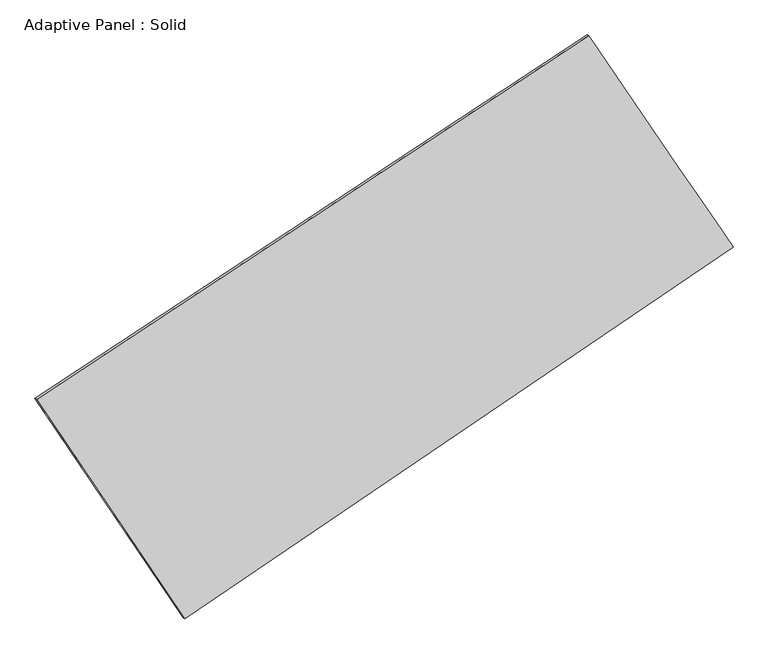
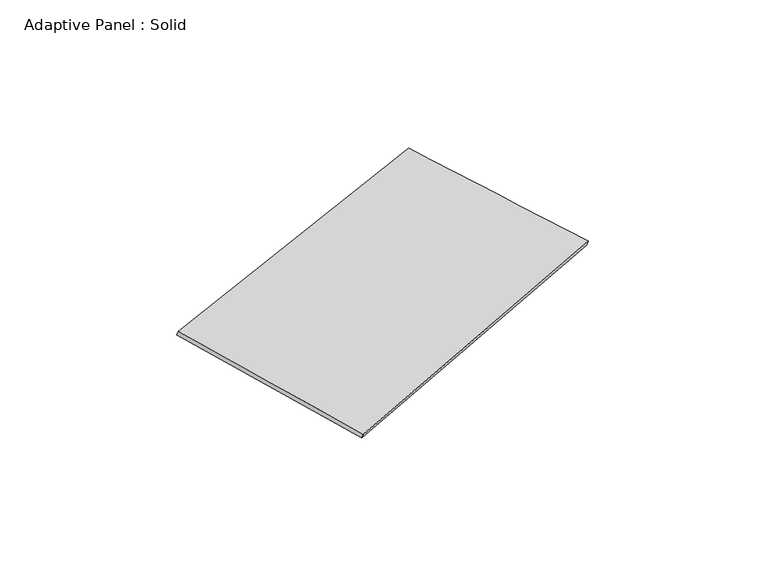
"""IFC4 building model written with IfcOpenShell, lengths in millimetres: plate geometry, Adaptive Panel : Solid."""

from ifc_helpers import new_model, si_unit, frame, origin, place, context, project, spatial, source, transform, mapped, element, save
from ifc_brep_helpers import plane_surface, spline_surface, advanced_brep


def adaptive_panel_solid_634cbaa2(model_context):
    return source(origin(), model_context, "Body", "AdvancedBrep", [
        advanced_brep(
        [(1129.2230098, 2441.820859, 639.3144109), (-3713.5201191, -751.2975379, 1754.0111717), (-3698.8537633, -757.6776314, 1801.3840797), (1143.8893656, 2435.4407655, 686.6873189), (-2414.1437718, -2675.154231, 1048.1194259), (-2399.4774159, -2681.5343244, 1095.4923339), (2395.150303, 584.3823371, 43.6775118), (2409.8166588, 578.0022436, 91.0504198)],
        [
            (0, 1),
            (1, 2),
            (2, 3),
            (3, 0),
            (1, 4),
            (4, 5),
            (5, 2),
            (4, 6),
            (6, 7),
            (7, 5),
            (6, 0),
            (3, 7),
        ],
        [
            plane_surface(frame((-1292.1485547, 845.2616605, 1196.6627913), z_axis=(-0.4881099102627418, 0.8321540839446148, 0.2631887081118744), x_axis=(-0.8198539606809876, -0.5405801412418831, 0.18871299385734774))),
            plane_surface(frame((-3063.8319454, -1713.2258844, 1401.0652988), z_axis=(-0.7884353347804558, -0.592780170765072, 0.1642601352043857), x_axis=(0.5354947749983184, -0.7928535940194547, -0.2909098217660143))),
            plane_surface(frame((-9.4967344, -1045.385947, 545.8984688), z_axis=(0.5020668260501059, -0.8228233252658402, -0.26625303299387615), x_axis=(0.8156878826380249, 0.552838824209375, -0.1703599500008477))),
            plane_surface(frame((1762.1866564, 1513.101598, 341.4959613), z_axis=(0.7896221174500163, 0.5910304873754457, -0.16486319973388797), x_axis=(-0.5443938196604572, 0.7987647135332597, 0.25614507906580425))),
            spline_surface(1, 1, [[(-3698.8537633, -757.6776314, 1801.3840797), (1143.8893656, 2435.4407655, 686.6873189)], [(-2399.4774159, -2681.5343244, 1095.4923339), (2409.8166588, 578.0022436, 91.0504198)]], [2, 2], [2, 2], [0.0, 1.0], [0.0, 1.0]),
            spline_surface(1, 1, [[(2395.150303, 584.3823371, 43.6775118), (1129.2230098, 2441.820859, 639.3144109)], [(-2414.1437718, -2675.154231, 1048.1194259), (-3713.5201191, -751.2975379, 1754.0111717)]], [2, 2], [2, 2], [0.0, 1.0], [0.0, 1.0]),
        ],
        [
            (0, [[1, 2, 3, 4]]),
            (1, [[5, 6, 7, -2]]),
            (2, [[8, 9, 10, -6]]),
            (3, [[11, -4, 12, -9]]),
            (4, [[-3, -7, -10, -12]]),
            (5, [[-11, -8, -5, -1]]),
        ],
    ),
    ])


if __name__ == "__main__":
    model = new_model("IFC4")
    model_context = context("Model", 3, world=origin())
    ifc_project = project(units=[si_unit("LENGTHUNIT", "METRE", prefix="MILLI")], contexts=[model_context])
    site = spatial("IfcSite", under=ifc_project)
    building = spatial("IfcBuilding", under=site)
    placement = place(None, origin())
    adaptive_panel_solid_shape = adaptive_panel_solid_634cbaa2(model_context)
    element("IfcPlate", 1, ObjectType="Adaptive Panel : Solid", at=placement, inside=building, context=model_context, shape_type="MappedRepresentation", body=[
        mapped(adaptive_panel_solid_shape, transform((0.0, 0.0, 0.0), x_axis=(1.0, 0.0, 0.0), y_axis=(0.0, 1.0, 0.0), z_axis=(0.0, 0.0, 1.0))),
    ])
    save(model, "model.ifc")
